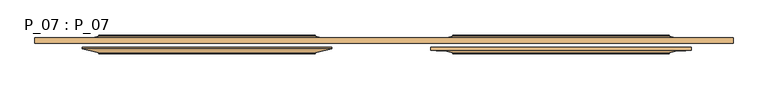
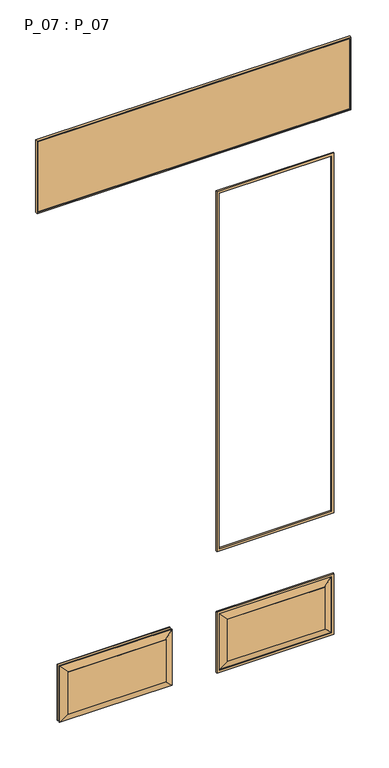
"""IFC4 building model written with IfcOpenShell, lengths in millimetres: door geometry, P_07 : P_07."""

from ifc_helpers import new_model, si_unit, frame, origin, place, context, project, spatial, polyline, outline, extrude, faceted_brep, source, transform, mapped, element, save


def p_07_p_07_aba38720(model_context):
    return source(origin(), model_context, "Body", "SolidModel", [
        extrude(outline(polyline([(260.0, 560.0), (520.0, 560.0), (520.0, 85.0), (260.0, 85.0), (260.0, 560.0)]), holes=[polyline([(510.0, 95.0), (510.0, 550.0), (270.0, 550.0), (270.0, 95.0), (510.0, 95.0)])]), frame((0.0, -172.0, 0.0), z_axis=(0.0, 1.0, 0.0), x_axis=(0.0, 0.0, 1.0)), (0.0, 0.0, 1.0), 6.0),
        extrude(outline(polyline([(2320.0, 85.0), (780.0, 85.0), (780.0, 560.0), (2320.0, 560.0), (2320.0, 85.0)]), holes=[polyline([(790.0, 95.0), (2310.0, 95.0), (2310.0, 550.0), (790.0, 550.0), (790.0, 95.0)])]), frame((0.0, -172.0, 0.0), z_axis=(0.0, 1.0, 0.0), x_axis=(0.0, 0.0, 1.0)), (0.0, 0.0, 1.0), 6.0),
        faceted_brep([(-125.0, -146.0, 480.0), (-125.0, -146.0, 300.0), (-125.0, -156.0, 300.0), (-125.0, -156.0, 480.0), (-95.0, -153.0, 510.0), (-95.0, -153.0, 270.0), (-95.0, -156.0, 510.0), (-95.0, -156.0, 270.0), (-520.0, -146.0, 300.0), (-520.0, -146.0, 480.0), (-520.0, -156.0, 480.0), (-520.0, -156.0, 300.0), (-550.0, -153.0, 270.0), (-550.0, -153.0, 510.0), (-550.0, -156.0, 270.0), (-550.0, -156.0, 510.0)], [[[0, 1, 2, 3]], [[4, 5, 1, 0]], [[6, 7, 5, 4]], [[8, 9, 10, 11]], [[12, 13, 9, 8]], [[14, 15, 13, 12]], [[9, 0, 3, 10]], [[13, 4, 0, 9]], [[15, 6, 4, 13]], [[14, 7, 6, 15], [11, 10, 3, 2]], [[1, 8, 11, 2]], [[5, 12, 8, 1]], [[7, 14, 12, 5]]]),
        faceted_brep([(125.0, -156.0, 480.0), (125.0, -156.0, 300.0), (125.0, -146.0, 300.0), (125.0, -146.0, 480.0), (95.0, -153.0, 270.0), (95.0, -153.0, 510.0), (95.0, -156.0, 270.0), (95.0, -156.0, 510.0), (520.0, -156.0, 300.0), (520.0, -156.0, 480.0), (520.0, -146.0, 480.0), (520.0, -146.0, 300.0), (550.0, -153.0, 510.0), (550.0, -153.0, 270.0), (550.0, -156.0, 510.0), (550.0, -156.0, 270.0)], [[[0, 1, 2, 3]], [[3, 2, 4, 5]], [[5, 4, 6, 7]], [[8, 9, 10, 11]], [[11, 10, 12, 13]], [[13, 12, 14, 15]], [[9, 0, 3, 10]], [[10, 3, 5, 12]], [[12, 5, 7, 14]], [[15, 14, 7, 6], [8, 1, 0, 9]], [[1, 8, 11, 2]], [[2, 11, 13, 4]], [[4, 13, 15, 6]]]),
        extrude(outline(polyline([(631.0, -152.5), (631.0, -156.5), (-631.0, -156.5), (-631.0, -152.5), (631.0, -152.5)])), frame((0.0, 0.0, 2475.0), z_axis=(0.0, 0.0, 1.0), x_axis=(1.0, 0.0, 0.0)), (0.0, 0.0, 1.0), 301.0),
        extrude(outline(polyline([(2781.0, -636.0), (2470.0, -636.0), (2470.0, 636.0), (2781.0, 636.0), (2781.0, -636.0)]), holes=[polyline([(2776.0, -631.0), (2776.0, 631.0), (2475.0, 631.0), (2475.0, -631.0), (2776.0, -631.0)])]), frame((0.0, -159.5, 0.0), z_axis=(0.0, 1.0, 0.0), x_axis=(0.0, 0.0, 1.0)), (0.0, 0.0, 1.0), 10.0),
        faceted_brep([(125.0, -176.0, 480.0), (125.0, -176.0, 300.0), (125.0, -166.0, 300.0), (125.0, -166.0, 480.0), (95.0, -169.0, 510.0), (95.0, -169.0, 270.0), (95.0, -166.0, 510.0), (95.0, -166.0, 270.0), (520.0, -176.0, 300.0), (520.0, -176.0, 480.0), (520.0, -166.0, 480.0), (520.0, -166.0, 300.0), (550.0, -169.0, 270.0), (550.0, -169.0, 510.0), (550.0, -166.0, 270.0), (550.0, -166.0, 510.0)], [[[0, 1, 2, 3]], [[4, 5, 1, 0]], [[6, 7, 5, 4]], [[8, 9, 10, 11]], [[12, 13, 9, 8]], [[14, 15, 13, 12]], [[9, 0, 3, 10]], [[13, 4, 0, 9]], [[15, 6, 4, 13]], [[14, 7, 6, 15], [11, 10, 3, 2]], [[1, 8, 11, 2]], [[5, 12, 8, 1]], [[7, 14, 12, 5]]]),
        extrude(outline(polyline([(-520.0, -156.0), (-520.0, -144.0), (-125.0, -144.0), (-125.0, -156.0), (-520.0, -156.0)])), frame((0.0, 0.0, 300.0), z_axis=(0.0, 0.0, 1.0), x_axis=(1.0, 0.0, 0.0)), (0.0, 0.0, 1.0), 180.0),
        extrude(outline(polyline([(125.0, -156.0), (125.0, -144.0), (520.0, -144.0), (520.0, -156.0), (125.0, -156.0)])), frame((0.0, 0.0, 300.0), z_axis=(0.0, 0.0, 1.0), x_axis=(1.0, 0.0, 0.0)), (0.0, 0.0, 1.0), 180.0),
        faceted_brep([(-125.0, -166.0, 480.0), (-125.0, -166.0, 300.0), (-125.0, -176.0, 300.0), (-125.0, -176.0, 480.0), (-95.0, -169.0, 270.0), (-95.0, -169.0, 510.0), (-95.0, -166.0, 270.0), (-95.0, -166.0, 510.0), (-520.0, -166.0, 300.0), (-520.0, -166.0, 480.0), (-520.0, -176.0, 480.0), (-520.0, -176.0, 300.0), (-550.0, -169.0, 510.0), (-550.0, -169.0, 270.0), (-550.0, -166.0, 510.0), (-550.0, -166.0, 270.0)], [[[0, 1, 2, 3]], [[3, 2, 4, 5]], [[5, 4, 6, 7]], [[8, 9, 10, 11]], [[11, 10, 12, 13]], [[13, 12, 14, 15]], [[9, 0, 3, 10]], [[10, 3, 5, 12]], [[12, 5, 7, 14]], [[15, 14, 7, 6], [8, 1, 0, 9]], [[1, 8, 11, 2]], [[2, 11, 13, 4]], [[4, 13, 15, 6]]]),
        extrude(outline(polyline([(-125.0, -166.0), (-125.0, -178.0), (-520.0, -178.0), (-520.0, -166.0), (-125.0, -166.0)])), frame((0.0, 0.0, 300.0), z_axis=(0.0, 0.0, 1.0), x_axis=(1.0, 0.0, 0.0)), (0.0, 0.0, 1.0), 180.0),
        extrude(outline(polyline([(520.0, -166.0), (520.0, -178.0), (125.0, -178.0), (125.0, -166.0), (520.0, -166.0)])), frame((0.0, 0.0, 300.0), z_axis=(0.0, 0.0, 1.0), x_axis=(1.0, 0.0, 0.0)), (0.0, 0.0, 1.0), 180.0),
    ])


if __name__ == "__main__":
    model = new_model("IFC4")
    model_context = context("Model", 3, world=origin())
    ifc_project = project(units=[si_unit("LENGTHUNIT", "METRE", prefix="MILLI")], contexts=[model_context])
    site = spatial("IfcSite", under=ifc_project)
    building = spatial("IfcBuilding", under=site)
    placement = place(None, origin())
    p_07_p_07_shape = p_07_p_07_aba38720(model_context)
    element("IfcDoor", 1, ObjectType="P_07 : P_07", at=placement, inside=building, context=model_context, shape_type="MappedRepresentation", body=[
        mapped(p_07_p_07_shape, transform((0.0, 0.0, 0.0), x_axis=(1.0, 0.0, 0.0), y_axis=(0.0, 1.0, 0.0), z_axis=(0.0, 0.0, 1.0))),
    ])
    save(model, "model.ifc")
